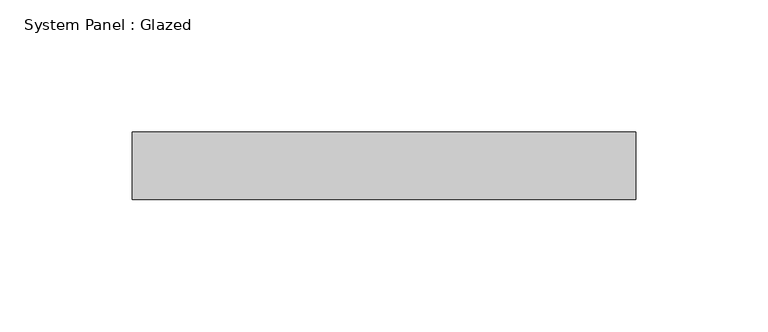
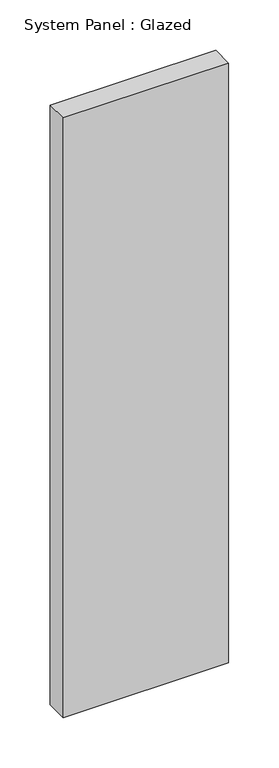
"""IFC4 building model written with IfcOpenShell, lengths in millimetres: plate geometry, System Panel : Glazed."""

from ifc_helpers import new_model, si_unit, origin, origin_with_axes, place, context, project, spatial, polyline, outline, extrude, source, transform, mapped, element, save


def system_panel_glazed_c329eeb2(model_context):
    return source(origin(), model_context, "Body", "SweptSolid", [
        extrude(outline(polyline([(95.0, 19.05), (-95.0, 19.05), (-95.0, 44.45), (95.0, 44.45), (95.0, 19.05)])), origin_with_axes(), (0.0, 0.0, 1.0), 726.5),
    ])


if __name__ == "__main__":
    model = new_model("IFC4")
    model_context = context("Model", 3, world=origin())
    ifc_project = project(units=[si_unit("LENGTHUNIT", "METRE", prefix="MILLI")], contexts=[model_context])
    site = spatial("IfcSite", under=ifc_project)
    building = spatial("IfcBuilding", under=site)
    placement = place(None, origin())
    system_panel_glazed_shape = system_panel_glazed_c329eeb2(model_context)
    element("IfcPlate", 1, ObjectType="System Panel : Glazed", at=placement, inside=building, context=model_context, shape_type="MappedRepresentation", body=[
        mapped(system_panel_glazed_shape, transform((0.0, 0.0, 0.0), x_axis=(1.0, 0.0, 0.0), y_axis=(0.0, 1.0, 0.0), z_axis=(0.0, 0.0, 1.0))),
    ])
    save(model, "model.ifc")
